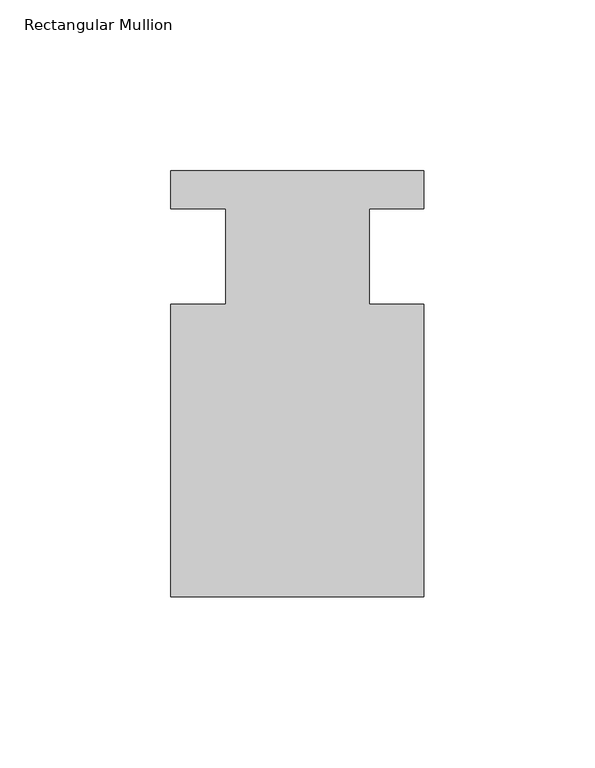
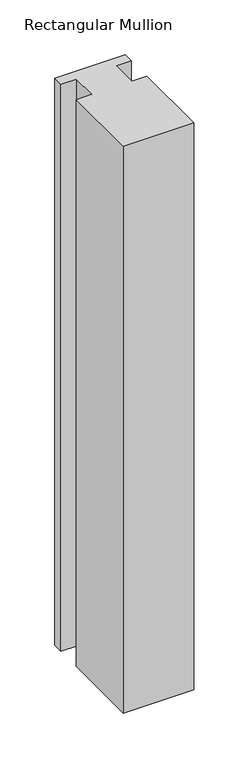
"""IFC4 building model written with IfcOpenShell, lengths in millimetres: member geometry, Rectangular Mullion."""

from ifc_helpers import new_model, si_unit, frame, origin, place, context, project, spatial, polyline, outline, extrude, source, transform, mapped, element, save


def rectangular_mullion_5276aaf1(model_context):
    return source(origin(), model_context, "Body", "SweptSolid", [
        extrude(outline(polyline([(-20.9800745, -13.9998907), (-20.9800745, 14.0), (-37.0, 14.0), (-37.0, 25.0), (36.9800745, 25.0), (36.9800745, 14.0), (20.9800745, 14.0), (20.9800745, -13.9998907), (37.0, -13.9998907), (37.0, -99.5), (-37.0, -99.5), (-37.0, -13.9998907), (-20.9800745, -13.9998907)])), frame((0.0, 0.0, -629.9940421), z_axis=(0.0, 0.0, 1.0), x_axis=(1.0, 0.0, 0.0)), (0.0, 0.0, 1.0), 629.9940421),
    ])


if __name__ == "__main__":
    model = new_model("IFC4")
    model_context = context("Model", 3, world=origin())
    ifc_project = project(units=[si_unit("LENGTHUNIT", "METRE", prefix="MILLI")], contexts=[model_context])
    site = spatial("IfcSite", under=ifc_project)
    building = spatial("IfcBuilding", under=site)
    placement = place(None, origin())
    rectangular_mullion_shape = rectangular_mullion_5276aaf1(model_context)
    element("IfcMember", 1, ObjectType="Rectangular Mullion", at=placement, inside=building, context=model_context, shape_type="MappedRepresentation", body=[
        mapped(rectangular_mullion_shape, transform((0.0, 0.0, 0.0), x_axis=(1.0, 0.0, 0.0), y_axis=(0.0, 1.0, 0.0), z_axis=(0.0, 0.0, 1.0))),
    ])
    save(model, "model.ifc")
